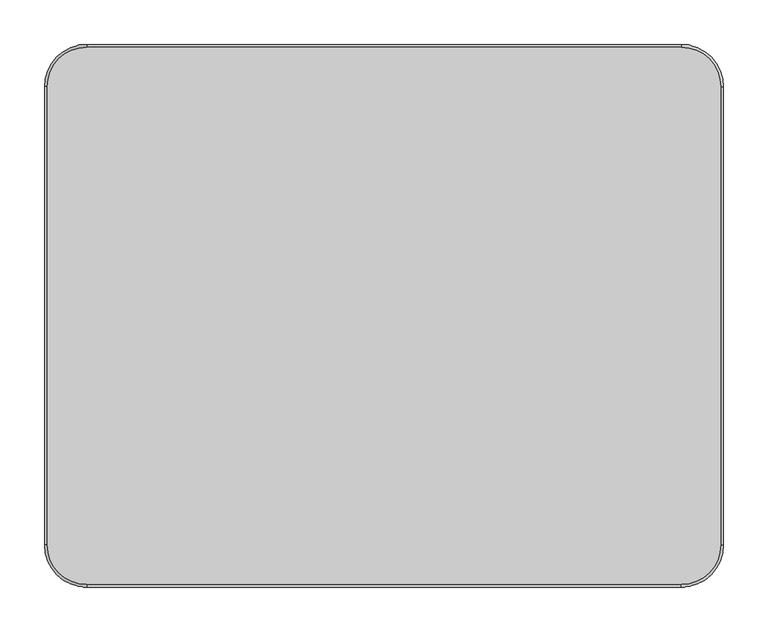
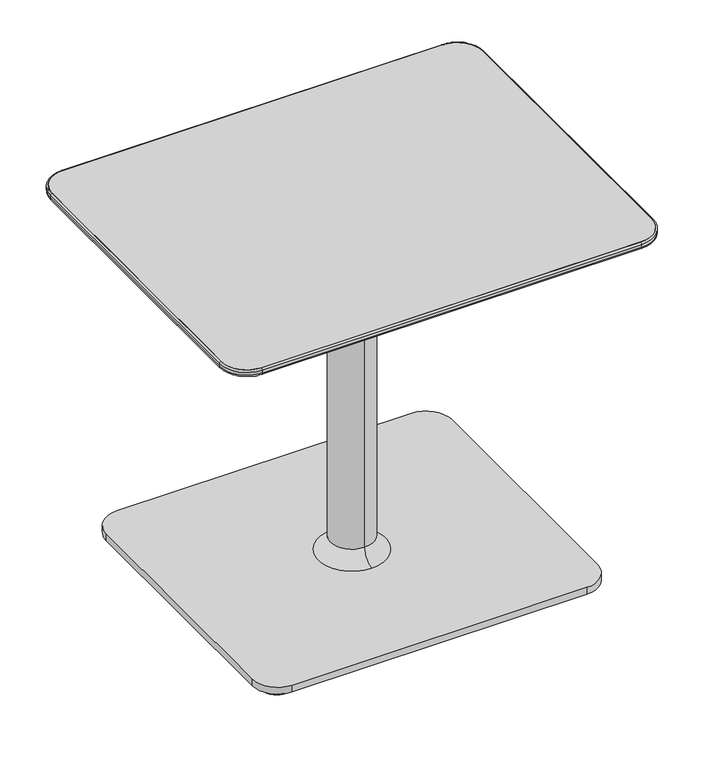
"""IFC4 building model written with IfcOpenShell, lengths in millimetres: furniture geometry."""

from ifc_helpers import new_model, si_unit, point, frame, frame_2d, origin, origin_with_axes, place, context, project, spatial, polyline, circle_curve, ellipse_curve, trimmed, segment, composite_curve, outline, extrude, source, transform, mapped, element, save
from ifc_brep_helpers import plane_surface, cylinder_surface, revolved_surface, spline_surface, advanced_brep


def furniture_ddb18872(model_context):
    return source(origin(), model_context, "Body", "SolidModel", [
        advanced_brep(
        [(378.2570059, -257.3038988, 648.3724172), (378.2570059, 257.3038988, 648.3724172), (333.8070059, 301.7538988, 648.3724172), (-333.1969941, 301.7538988, 648.3724172), (-377.6469941, 257.3038988, 648.3724172), (-377.6469941, -257.3038988, 648.3724172), (-333.1969941, -301.7538988, 648.3724172), (333.8070059, -301.7538988, 648.3724172), (310.4389826, -233.9365202, 630.3099277), (-309.8289709, -233.9365202, 630.3099277), (-309.8289709, 233.9365202, 630.3099277), (310.4389826, 233.9365202, 630.3099277)],
        [
            (0, 1),
            (1, 2, circle_curve(frame((333.8070059, 257.3038988, 648.3724172), z_axis=(0.0, 0.0, 1.0), x_axis=(1.0, 0.0, 0.0)), 44.45)),
            (2, 3),
            (3, 4, circle_curve(frame((-333.1969941, 257.3038988, 648.3724172), z_axis=(0.0, 0.0, 1.0), x_axis=(1.0, 0.0, 0.0)), 44.45)),
            (4, 5),
            (5, 6, circle_curve(frame((-333.1969941, -257.3038988, 648.3724172), z_axis=(0.0, 0.0, 1.0), x_axis=(1.0, 0.0, 0.0)), 44.45)),
            (6, 7),
            (7, 0, circle_curve(frame((333.8070059, -257.3038988, 648.3724172), z_axis=(0.0, 0.0, 1.0), x_axis=(1.0, 0.0, 0.0)), 44.45)),
            (8, 9),
            (9, 10),
            (10, 11),
            (11, 8),
            (7, 8),
            (8, 0),
            (6, 9),
            (5, 9),
            (4, 10),
            (3, 10),
            (2, 11),
            (1, 11),
        ],
        [
            plane_surface(frame((0.3050059, 0.0, 648.3724172), z_axis=(0.0, 0.0, 1.0), x_axis=(-1.0, 0.0, 0.0))),
            plane_surface(frame((0.3050059, 0.0, 630.3099277), z_axis=(0.0, 0.0, -1.0), x_axis=(-1.0, 0.0, 0.0))),
            spline_surface(1, 2, [[(310.4389826, -233.9365202, 630.3099277), (310.4389826, -233.9365202, 630.3099277), (310.4389826, -233.9365202, 630.3099277)], [(378.2570059, -257.3038988, 648.3724172), (378.2570059000001, -301.75389880000006, 648.3724172), (333.8070059, -301.7538988, 648.3724172)]], [2, 2], [3, 3], [0.0, 1.0], [0.0, 1.0], weights=[[1.0, 0.7071067811865471, 1.0], [1.0, 0.7071067811865471, 1.0]]),
            plane_surface(frame((0.3050059, -233.9365202, 630.3099277), z_axis=(0.0, -0.25736805130347623, -0.9663134513025529), x_axis=(-1.0, 0.0, 0.0))),
            spline_surface(1, 2, [[(-309.8289709, -233.9365202, 630.3099277), (-309.8289709, -233.9365202, 630.3099277), (-309.8289709, -233.9365202, 630.3099277)], [(-333.1969941, -301.7538988, 648.3724172), (-377.6469941, -301.7538988, 648.3724172), (-377.6469941, -257.3038988, 648.3724172)]], [2, 2], [3, 3], [0.0, 1.0], [0.0, 1.0], weights=[[1.0, 0.7071067811865476, 1.0], [1.0, 0.7071067811865476, 1.0]]),
            plane_surface(frame((-309.8289709, 0.0, 630.3099277), z_axis=(-0.2573657667501397, 0.0, -0.966314059767896), x_axis=(0.0, 1.0, 0.0))),
            spline_surface(1, 2, [[(-309.8289709, 233.9365202, 630.3099277), (-309.8289709, 233.9365202, 630.3099277), (-309.8289709, 233.9365202, 630.3099277)], [(-377.6469941, 257.3038988, 648.3724172), (-377.6469941, 301.7538988, 648.3724172), (-333.1969941, 301.7538988, 648.3724172)]], [2, 2], [3, 3], [0.0, 1.0], [0.0, 1.0], weights=[[1.0, 0.7071067811865476, 1.0], [1.0, 0.7071067811865476, 1.0]]),
            plane_surface(frame((0.3050059, 233.9365202, 630.3099277), z_axis=(0.0, 0.257368051303476, -0.966313451302553), x_axis=(1.0, 0.0, 0.0))),
            spline_surface(1, 2, [[(310.4389826, 233.9365202, 630.3099277), (310.4389826, 233.9365202, 630.3099277), (310.4389826, 233.9365202, 630.3099277)], [(333.8070059, 301.7538988, 648.3724172), (378.25700589999997, 301.75389879999994, 648.3724172), (378.2570059, 257.3038988, 648.3724172)]], [2, 2], [3, 3], [0.0, 1.0], [0.0, 1.0], weights=[[1.0, 0.707106781186548, 1.0], [1.0, 0.707106781186548, 1.0]]),
            plane_surface(frame((310.4389826, 0.0, 630.3099277), z_axis=(0.2573657667501397, 0.0, -0.966314059767896), x_axis=(0.0, -1.0, 0.0))),
        ],
        [
            (0, [[1, 2, 3, 4, 5, 6, 7, 8]]),
            (1, [[9, 10, 11, 12]]),
            (2, [[13, 14, -8]]),
            (3, [[-13, -7, 15, -9]]),
            (4, [[16, -15, -6]]),
            (5, [[-16, -5, 17, -10]]),
            (6, [[18, -17, -4]]),
            (7, [[-18, -3, 19, -11]]),
            (8, [[20, -19, -2]]),
            (9, [[-20, -1, -14, -12]]),
        ],
    ),
        extrude(outline(composite_curve([segment(polyline([(333.8070059, -301.7538988), (-333.1969941, -301.7538988)]), True, "CONTINUOUS"), segment(trimmed(circle_curve(frame_2d((-333.1969941, -257.3038988)), 44.45), [point((-333.1969941, -301.7538988))], [point((-377.6469941, -257.3038988))], False, "CARTESIAN"), True, "CONTINUOUS"), segment(polyline([(-377.6469941, -257.3038988), (-377.6469941, 257.3038988)]), True, "CONTINUOUS"), segment(trimmed(circle_curve(frame_2d((-333.1969941, 257.3038988)), 44.45), [point((-377.6469941, 257.3038988))], [point((-333.1969941, 301.7538988))], False, "CARTESIAN"), True, "CONTINUOUS"), segment(polyline([(-333.1969941, 301.7538988), (333.8070059, 301.7538988)]), True, "CONTINUOUS"), segment(trimmed(circle_curve(frame_2d((333.8070059, 257.3038988)), 44.45), [point((333.8070059, 301.7538988))], [point((378.2570059, 257.3038988))], False, "CARTESIAN"), True, "CONTINUOUS"), segment(polyline([(378.2570059, 257.3038988), (378.2570059, -257.3038988)]), True, "CONTINUOUS"), segment(trimmed(circle_curve(frame_2d((333.8070059, -257.3038988)), 44.45), [point((378.2570059, -257.3038988))], [point((333.8070059, -301.7538988))], False, "CARTESIAN"), True, "CONTINUOUS")], self_intersect=False)), frame((0.0, 0.0, 648.3724172), z_axis=(0.0, 0.0, 1.0), x_axis=(1.0, 0.0, 0.0)), (0.0, 0.0, 1.0), 12.0275828),
        extrude(outline(composite_curve([segment(trimmed(circle_curve(frame_2d((-263.0703146, -226.8029495)), 25.4), [point((-288.4703146, -226.8029495))], [point((-237.6703146, -226.8029495))], False, "CARTESIAN"), True, "CONTINUOUS"), segment(trimmed(circle_curve(frame_2d((-263.0703146, -226.8029495)), 25.4), [point((-237.6703146, -226.8029495))], [point((-288.4703146, -226.8029495))], False, "CARTESIAN"), True, "CONTINUOUS")], self_intersect=False)), origin_with_axes(), (0.0, 0.0, 1.0), 10.6571495),
        extrude(outline(composite_curve([segment(trimmed(circle_curve(frame_2d((263.6803263, -226.8029495)), 25.4), [point((238.2803263, -226.8029495))], [point((289.0803263, -226.8029495))], False, "CARTESIAN"), True, "CONTINUOUS"), segment(trimmed(circle_curve(frame_2d((263.6803263, -226.8029495)), 25.4), [point((289.0803263, -226.8029495))], [point((238.2803263, -226.8029495))], False, "CARTESIAN"), True, "CONTINUOUS")], self_intersect=False)), origin_with_axes(), (0.0, 0.0, 1.0), 10.6571495),
        extrude(outline(composite_curve([segment(trimmed(circle_curve(frame_2d((263.6803263, 226.8029495)), 25.4), [point((238.2803263, 226.8029495))], [point((289.0803263, 226.8029495))], False, "CARTESIAN"), True, "CONTINUOUS"), segment(trimmed(circle_curve(frame_2d((263.6803263, 226.8029495)), 25.4), [point((289.0803263, 226.8029495))], [point((238.2803263, 226.8029495))], False, "CARTESIAN"), True, "CONTINUOUS")], self_intersect=False)), origin_with_axes(), (0.0, 0.0, 1.0), 10.6571495),
        extrude(outline(composite_curve([segment(trimmed(circle_curve(frame_2d((-263.0703146, 226.8029495)), 25.4), [point((-288.4703146, 226.8029495))], [point((-237.6703146, 226.8029495))], False, "CARTESIAN"), True, "CONTINUOUS"), segment(trimmed(circle_curve(frame_2d((-263.0703146, 226.8029495)), 25.4), [point((-237.6703146, 226.8029495))], [point((-288.4703146, 226.8029495))], False, "CARTESIAN"), True, "CONTINUOUS")], self_intersect=False)), origin_with_axes(), (0.0, 0.0, 1.0), 10.6571495),
        extrude(outline(composite_curve([segment(polyline([(259.1310059, -266.6981833), (-258.5209941, -266.6981833)]), True, "CONTINUOUS"), segment(trimmed(circle_curve(frame_2d((-258.5209941, -222.2481833)), 44.45), [point((-258.5209941, -266.6981833))], [point((-302.9709941, -222.2481833))], False, "CARTESIAN"), True, "CONTINUOUS"), segment(polyline([(-302.9709941, -222.2481833), (-302.9709941, 222.2481833)]), True, "CONTINUOUS"), segment(trimmed(circle_curve(frame_2d((-258.5209941, 222.2481833)), 44.45), [point((-302.9709941, 222.2481833))], [point((-258.5209941, 266.6981833))], False, "CARTESIAN"), True, "CONTINUOUS"), segment(polyline([(-258.5209941, 266.6981833), (259.1310059, 266.6981833)]), True, "CONTINUOUS"), segment(trimmed(circle_curve(frame_2d((259.1310059, 222.2481833)), 44.45), [point((259.1310059, 266.6981833))], [point((303.5810059, 222.2481833))], False, "CARTESIAN"), True, "CONTINUOUS"), segment(polyline([(303.5810059, 222.2481833), (303.5810059, -222.2481833)]), True, "CONTINUOUS"), segment(trimmed(circle_curve(frame_2d((259.1310059, -222.2481833)), 44.45), [point((303.5810059, -222.2481833))], [point((259.1310059, -266.6981833))], False, "CARTESIAN"), True, "CONTINUOUS")], self_intersect=False)), frame((0.0, 0.0, 10.6571495), z_axis=(0.0, 0.0, 1.0), x_axis=(1.0, 0.0, 0.0)), (0.0, 0.0, 1.0), 12.7000004),
        advanced_brep(
        [(-380.6930954, -257.3038988, 652.1656816), (-377.6469941, -257.3038988, 648.3724172), (-333.1969941, -301.7538988, 648.3724172), (-333.1969941, -304.8, 652.1656816), (-380.6930954, -257.3038988, 657.3538988), (-333.1969941, -304.8, 657.3538988), (-377.6469941, -257.3038988, 660.4), (-333.1969941, -301.7538988, 660.4), (-380.6930954, 257.3038988, 652.1656816), (-377.6469941, 257.3038988, 648.3724172), (-380.6930954, 257.3038988, 657.3538988), (-377.6469941, 257.3038988, 660.4), (-333.1969941, 304.8, 652.1656816), (-333.1969941, 301.7538988, 648.3724172), (-333.1969941, 304.8, 657.3538988), (-333.1969941, 301.7538988, 660.4), (333.8070059, 304.8, 652.1656816), (333.8070059, 301.7538988, 648.3724172), (333.8070059, 304.8, 657.3538988), (333.8070059, 301.7538988, 660.4), (381.3031071, 257.3038988, 652.1656816), (378.2570059, 257.3038988, 648.3724172), (381.3031071, 257.3038988, 657.3538988), (378.2570059, 257.3038988, 660.4), (381.3031071, -257.3038988, 652.1656816), (378.2570059, -257.3038988, 648.3724172), (381.3031071, -257.3038988, 657.3538988), (378.2570059, -257.3038988, 660.4), (333.8070059, -304.8, 652.1656816), (333.8070059, -301.7538988, 648.3724172), (333.8070059, -304.8, 657.3538988), (333.8070059, -301.7538988, 660.4)],
        [
            (0, 1, circle_curve(frame((-376.8081971, -257.3038988, 652.1656816), z_axis=(0.0, -1.0, 0.0), x_axis=(1.0, 0.0, 0.0)), 3.8848983)),
            (1, 2, circle_curve(frame((-333.1969941, -257.3038988, 648.3724172), z_axis=(0.0, 0.0, 1.0), x_axis=(0.0, -1.0, 0.0)), 44.45)),
            (2, 3, circle_curve(frame((-333.1969941, -300.9151017, 652.1656816), z_axis=(-1.0, 0.0, 0.0), x_axis=(0.0, 1.0, 0.0)), 3.8848983)),
            (3, 0, circle_curve(frame((-333.1969941, -257.3038988, 652.1656816), z_axis=(0.0, 0.0, -1.0), x_axis=(0.0, -1.0, 0.0)), 47.4961012)),
            (4, 0),
            (3, 5),
            (5, 4, circle_curve(frame((-333.1969941, -257.3038988, 657.3538988), z_axis=(0.0, 0.0, -1.0), x_axis=(0.0, -1.0, 0.0)), 47.4961012)),
            (6, 4, circle_curve(frame((-377.6469941, -257.3038988, 657.3538988), z_axis=(0.0, -1.0, 0.0), x_axis=(1.0, 0.0, 0.0)), 3.0461012)),
            (5, 7, circle_curve(frame((-333.1969941, -301.7538988, 657.3538988), z_axis=(-1.0, 0.0, 0.0), x_axis=(0.0, 1.0, 0.0)), 3.0461012)),
            (7, 6, circle_curve(frame((-333.1969941, -257.3038988, 660.4), z_axis=(0.0, 0.0, -1.0), x_axis=(0.0, -1.0, 0.0)), 44.45)),
            (1, 6),
            (7, 2),
            (0, 8),
            (8, 9, circle_curve(frame((-376.8081971, 257.3038988, 652.1656816), z_axis=(0.0, -1.0, 0.0), x_axis=(1.0, 0.0, 0.0)), 3.8848983)),
            (9, 1),
            (4, 10),
            (10, 8),
            (6, 11),
            (11, 10, circle_curve(frame((-377.6469941, 257.3038988, 657.3538988), z_axis=(0.0, -1.0, 0.0), x_axis=(1.0, 0.0, 0.0)), 3.0461012)),
            (9, 11),
            (12, 13, circle_curve(frame((-333.1969941, 300.9151017, 652.1656816), z_axis=(-1.0, 0.0, 0.0), x_axis=(0.0, -1.0, 0.0)), 3.8848983)),
            (13, 9, circle_curve(frame((-333.1969941, 257.3038988, 648.3724172), z_axis=(0.0, 0.0, 1.0), x_axis=(-1.0, 0.0, 0.0)), 44.45)),
            (8, 12, circle_curve(frame((-333.1969941, 257.3038988, 652.1656816), z_axis=(0.0, 0.0, -1.0), x_axis=(-1.0, 0.0, 0.0)), 47.4961012)),
            (14, 12),
            (10, 14, circle_curve(frame((-333.1969941, 257.3038988, 657.3538988), z_axis=(0.0, 0.0, -1.0), x_axis=(-1.0, 0.0, 0.0)), 47.4961012)),
            (15, 14, circle_curve(frame((-333.1969941, 301.7538988, 657.3538988), z_axis=(-1.0, 0.0, 0.0), x_axis=(0.0, -1.0, 0.0)), 3.0461012)),
            (11, 15, circle_curve(frame((-333.1969941, 257.3038988, 660.4), z_axis=(0.0, 0.0, -1.0), x_axis=(-1.0, 0.0, 0.0)), 44.45)),
            (13, 15),
            (12, 16),
            (16, 17, circle_curve(frame((333.8070059, 300.9151017, 652.1656816), z_axis=(-1.0, 0.0, 0.0), x_axis=(0.0, -1.0, 0.0)), 3.8848983)),
            (17, 13),
            (14, 18),
            (18, 16),
            (15, 19),
            (19, 18, circle_curve(frame((333.8070059, 301.7538988, 657.3538988), z_axis=(-1.0, 0.0, 0.0), x_axis=(0.0, -1.0, 0.0)), 3.0461012)),
            (17, 19),
            (20, 21, circle_curve(frame((377.4182088, 257.3038988, 652.1656816), z_axis=(0.0, 1.0, 0.0), x_axis=(-1.0, 0.0, 0.0)), 3.8848983)),
            (21, 17, circle_curve(frame((333.8070059, 257.3038988, 648.3724172), z_axis=(0.0, 0.0, 1.0), x_axis=(0.0, 1.0, 0.0)), 44.45)),
            (16, 20, circle_curve(frame((333.8070059, 257.3038988, 652.1656816), z_axis=(0.0, 0.0, -1.0), x_axis=(0.0, 1.0, 0.0)), 47.4961012)),
            (22, 20),
            (18, 22, circle_curve(frame((333.8070059, 257.3038988, 657.3538988), z_axis=(0.0, 0.0, -1.0), x_axis=(0.0, 1.0, 0.0)), 47.4961012)),
            (23, 22, circle_curve(frame((378.2570059, 257.3038988, 657.3538988), z_axis=(0.0, 1.0, 0.0), x_axis=(-1.0, 0.0, 0.0)), 3.0461012)),
            (19, 23, circle_curve(frame((333.8070059, 257.3038988, 660.4), z_axis=(0.0, 0.0, -1.0), x_axis=(0.0, 1.0, 0.0)), 44.45)),
            (21, 23),
            (20, 24),
            (24, 25, circle_curve(frame((377.4182088, -257.3038988, 652.1656816), z_axis=(0.0, 1.0, 0.0), x_axis=(-1.0, 0.0, 0.0)), 3.8848983)),
            (25, 21),
            (22, 26),
            (26, 24),
            (23, 27),
            (27, 26, circle_curve(frame((378.2570059, -257.3038988, 657.3538988), z_axis=(0.0, 1.0, 0.0), x_axis=(-1.0, 0.0, 0.0)), 3.0461012)),
            (25, 27),
            (28, 29, circle_curve(frame((333.8070059, -300.9151017, 652.1656816), z_axis=(1.0, 0.0, 0.0), x_axis=(0.0, 1.0, 0.0)), 3.8848983)),
            (29, 25, circle_curve(frame((333.8070059, -257.3038988, 648.3724172), z_axis=(0.0, 0.0, 1.0), x_axis=(1.0, 0.0, 0.0)), 44.45)),
            (24, 28, circle_curve(frame((333.8070059, -257.3038988, 652.1656816), z_axis=(0.0, 0.0, -1.0), x_axis=(1.0, 0.0, 0.0)), 47.4961012)),
            (30, 28),
            (26, 30, circle_curve(frame((333.8070059, -257.3038988, 657.3538988), z_axis=(0.0, 0.0, -1.0), x_axis=(1.0, 0.0, 0.0)), 47.4961012)),
            (31, 30, circle_curve(frame((333.8070059, -301.7538988, 657.3538988), z_axis=(1.0, 0.0, 0.0), x_axis=(0.0, 1.0, 0.0)), 3.0461012)),
            (27, 31, circle_curve(frame((333.8070059, -257.3038988, 660.4), z_axis=(0.0, 0.0, -1.0), x_axis=(1.0, 0.0, 0.0)), 44.45)),
            (29, 31),
            (28, 3),
            (2, 29),
            (30, 5),
            (31, 7),
        ],
        [
            revolved_surface(trimmed(ellipse_curve(frame((-333.1969941, -300.9151017, 652.1656816), z_axis=(-1.0, 0.0, 0.0), x_axis=(0.0, 1.0, 0.0)), 3.8848983, 3.8848983), [point((-333.1969941, -301.7538988, 648.3724172))], [point((-333.1969941, -304.8, 652.1656816))], True, "CARTESIAN"), (-333.1969941, -257.3038988, 0.0), (0.0, 0.0, 1.0)),
            cylinder_surface(frame((-333.1969941, -257.3038988, 0.0), z_axis=(0.0, 0.0, 1.0), x_axis=(0.0, -1.0, 0.0)), 47.4961012),
            revolved_surface(trimmed(ellipse_curve(frame((-333.1969941, -301.7538988, 657.3538988), z_axis=(-1.0, 0.0, 0.0), x_axis=(0.0, 1.0, 0.0)), 3.0461012, 3.0461012), [point((-333.1969941, -304.8, 657.3538988))], [point((-333.1969941, -301.7538988, 660.4))], True, "CARTESIAN"), (-333.1969941, -257.3038988, 0.0), (0.0, 0.0, 1.0)),
            revolved_surface(polyline([(-333.1969941, -301.7538988, 660.4), (-333.1969941, -301.7538988, 648.3724172)]), (-333.1969941, -257.3038988, 0.0), (0.0, 0.0, 1.0)),
            cylinder_surface(frame((-376.8081971, -257.3038988, 652.1656816), z_axis=(0.0, -1.0, 0.0), x_axis=(1.0, 0.0, 0.0)), 3.8848983),
            plane_surface(frame((-380.6930954, -257.3038988, 652.1656816), z_axis=(-1.0, 0.0, 0.0), x_axis=(0.0, 1.0, 0.0))),
            cylinder_surface(frame((-377.6469941, -257.3038988, 657.3538988), z_axis=(0.0, -1.0, 0.0), x_axis=(1.0, 0.0, 0.0)), 3.0461012),
            plane_surface(frame((-377.6469941, -257.3038988, 660.4), z_axis=(1.0, 0.0, 0.0), x_axis=(0.0, 1.0, 0.0))),
            revolved_surface(trimmed(ellipse_curve(frame((-376.8081971, 257.3038988, 652.1656816), z_axis=(0.0, 1.0, 0.0), x_axis=(1.0, 0.0, 0.0)), 3.8848983, 3.8848983), [point((-377.6469941, 257.3038988, 648.3724172))], [point((-380.6930954, 257.3038988, 652.1656816))], True, "CARTESIAN"), (-333.1969941, 257.3038988, 0.0), (0.0, 0.0, 1.0)),
            cylinder_surface(frame((-333.1969941, 257.3038988, 0.0), z_axis=(0.0, 0.0, 1.0), x_axis=(-1.0, 0.0, 0.0)), 47.4961012),
            revolved_surface(trimmed(ellipse_curve(frame((-377.6469941, 257.3038988, 657.3538988), z_axis=(0.0, 1.0, 0.0), x_axis=(1.0, 0.0, 0.0)), 3.0461012, 3.0461012), [point((-380.6930954, 257.3038988, 657.3538988))], [point((-377.6469941, 257.3038988, 660.4))], True, "CARTESIAN"), (-333.1969941, 257.3038988, 0.0), (0.0, 0.0, 1.0)),
            revolved_surface(polyline([(-377.6469941, 257.3038988, 660.4), (-377.6469941, 257.3038988, 648.3724172)]), (-333.1969941, 257.3038988, 0.0), (0.0, 0.0, 1.0)),
            cylinder_surface(frame((-333.1969941, 300.9151017, 652.1656816), z_axis=(-1.0, 0.0, 0.0), x_axis=(0.0, -1.0, 0.0)), 3.8848983),
            plane_surface(frame((-333.1969941, 304.8, 652.1656816), z_axis=(0.0, 1.0, 0.0), x_axis=(1.0, 0.0, 0.0))),
            cylinder_surface(frame((-333.1969941, 301.7538988, 657.3538988), z_axis=(-1.0, 0.0, 0.0), x_axis=(0.0, -1.0, 0.0)), 3.0461012),
            plane_surface(frame((-333.1969941, 301.7538988, 660.4), z_axis=(0.0, -1.0, 0.0), x_axis=(1.0, 0.0, 0.0))),
            revolved_surface(trimmed(ellipse_curve(frame((333.8070059, 300.9151017, 652.1656816), z_axis=(1.0, 0.0, 0.0), x_axis=(0.0, -1.0, 0.0)), 3.8848983, 3.8848983), [point((333.8070059, 301.7538988, 648.3724172))], [point((333.8070059, 304.8, 652.1656816))], True, "CARTESIAN"), (333.8070059, 257.3038988, 0.0), (0.0, 0.0, 1.0)),
            cylinder_surface(frame((333.8070059, 257.3038988, 0.0), z_axis=(0.0, 0.0, 1.0), x_axis=(0.0, 1.0, 0.0)), 47.4961012),
            revolved_surface(trimmed(ellipse_curve(frame((333.8070059, 301.7538988, 657.3538988), z_axis=(1.0, 0.0, 0.0), x_axis=(0.0, -1.0, 0.0)), 3.0461012, 3.0461012), [point((333.8070059, 304.8, 657.3538988))], [point((333.8070059, 301.7538988, 660.4))], True, "CARTESIAN"), (333.8070059, 257.3038988, 0.0), (0.0, 0.0, 1.0)),
            revolved_surface(polyline([(333.8070059, 301.7538988, 660.4), (333.8070059, 301.7538988, 648.3724172)]), (333.8070059, 257.3038988, 0.0), (0.0, 0.0, 1.0)),
            cylinder_surface(frame((377.4182088, 257.3038988, 652.1656816), z_axis=(0.0, 1.0, 0.0), x_axis=(-1.0, 0.0, 0.0)), 3.8848983),
            plane_surface(frame((381.3031071, 257.3038988, 652.1656816), z_axis=(1.0, 0.0, 0.0), x_axis=(0.0, -1.0, 0.0))),
            cylinder_surface(frame((378.2570059, 257.3038988, 657.3538988), z_axis=(0.0, 1.0, 0.0), x_axis=(-1.0, 0.0, 0.0)), 3.0461012),
            plane_surface(frame((378.2570059, 257.3038988, 660.4), z_axis=(-1.0, 0.0, 0.0), x_axis=(0.0, -1.0, 0.0))),
            revolved_surface(trimmed(ellipse_curve(frame((377.4182088, -257.3038988, 652.1656816), z_axis=(0.0, -1.0, 0.0), x_axis=(-1.0, 0.0, 0.0)), 3.8848983, 3.8848983), [point((378.2570059, -257.3038988, 648.3724172))], [point((381.3031071, -257.3038988, 652.1656816))], True, "CARTESIAN"), (333.8070059, -257.3038988, 0.0), (0.0, 0.0, 1.0)),
            cylinder_surface(frame((333.8070059, -257.3038988, 0.0), z_axis=(0.0, 0.0, 1.0), x_axis=(1.0, 0.0, 0.0)), 47.4961012),
            revolved_surface(trimmed(ellipse_curve(frame((378.2570059, -257.3038988, 657.3538988), z_axis=(0.0, -1.0, 0.0), x_axis=(-1.0, 0.0, 0.0)), 3.0461012, 3.0461012), [point((381.3031071, -257.3038988, 657.3538988))], [point((378.2570059, -257.3038988, 660.4))], True, "CARTESIAN"), (333.8070059, -257.3038988, 0.0), (0.0, 0.0, 1.0)),
            revolved_surface(polyline([(378.25700589999997, -257.3038988, 660.4), (378.25700589999997, -257.3038988, 648.3724172)]), (333.8070059, -257.3038988, 0.0), (0.0, 0.0, 1.0)),
            cylinder_surface(frame((333.8070059, -300.9151017, 652.1656816), z_axis=(1.0, 0.0, 0.0), x_axis=(0.0, 1.0, 0.0)), 3.8848983),
            plane_surface(frame((333.8070059, -304.8, 652.1656816), z_axis=(0.0, -1.0, 0.0), x_axis=(-1.0, 0.0, 0.0))),
            cylinder_surface(frame((333.8070059, -301.7538988, 657.3538988), z_axis=(1.0, 0.0, 0.0), x_axis=(0.0, 1.0, 0.0)), 3.0461012),
            plane_surface(frame((333.8070059, -301.7538988, 660.4), z_axis=(0.0, 1.0, 0.0), x_axis=(-1.0, 0.0, 0.0))),
        ],
        [
            (0, [[1, 2, 3, 4]]),
            (1, [[5, -4, 6, 7]]),
            (2, [[8, -7, 9, 10]]),
            (3, [[11, -10, 12, -2]]),
            (4, [[13, 14, 15, -1]]),
            (5, [[16, 17, -13, -5]]),
            (6, [[18, 19, -16, -8]]),
            (7, [[-15, 20, -18, -11]]),
            (8, [[21, 22, -14, 23]]),
            (9, [[24, -23, -17, 25]]),
            (10, [[26, -25, -19, 27]]),
            (11, [[28, -27, -20, -22]]),
            (12, [[29, 30, 31, -21]]),
            (13, [[32, 33, -29, -24]]),
            (14, [[34, 35, -32, -26]]),
            (15, [[-31, 36, -34, -28]]),
            (16, [[37, 38, -30, 39]]),
            (17, [[40, -39, -33, 41]]),
            (18, [[42, -41, -35, 43]]),
            (19, [[44, -43, -36, -38]]),
            (20, [[45, 46, 47, -37]]),
            (21, [[48, 49, -45, -40]]),
            (22, [[50, 51, -48, -42]]),
            (23, [[-47, 52, -50, -44]]),
            (24, [[53, 54, -46, 55]]),
            (25, [[56, -55, -49, 57]]),
            (26, [[58, -57, -51, 59]]),
            (27, [[60, -59, -52, -54]]),
            (28, [[61, -3, 62, -53]]),
            (29, [[63, -6, -61, -56]]),
            (30, [[64, -9, -63, -58]]),
            (31, [[-62, -12, -64, -60]]),
        ],
    ),
        advanced_brep(
        [(0.3050059, 37.9287895, 500.8567695), (0.3050059, 37.9287895, 50.0429711), (0.3050059, -37.9287895, 50.0429711), (0.3050059, -37.9287895, 500.8567695), (0.3050059, 59.3395816, 538.8698908), (0.3050059, -59.3395816, 538.8698908), (0.3050059, 197.9068019, 622.8534968), (0.3050059, -197.9068019, 622.8534968), (0.3050059, 212.4265152, 626.9101307), (0.3050059, -212.4265152, 626.9101307), (0.3050059, 226.4292749, 626.9101307), (0.3050059, -226.4292749, 626.9101307), (0.3050059, 228.4774392, 630.3099277), (0.3050059, -228.4774392, 630.3099277), (0.3050059, 0.0, 630.3099277), (0.3050059, 60.2304855, 23.3571499), (0.3050059, 0.0, 23.3571499), (0.3050059, -60.2304855, 23.3571499)],
        [
            (0, 1),
            (1, 2, circle_curve(frame((0.3050059, 0.0, 50.0429711), z_axis=(0.0, 0.0, 1.0), x_axis=(0.0, -1.0, 0.0)), 37.9287895)),
            (2, 3),
            (3, 0, circle_curve(frame((0.3050059, 0.0, 500.8567695), z_axis=(0.0, 0.0, -1.0), x_axis=(0.0, -1.0, 0.0)), 37.9287895)),
            (2, 1, circle_curve(frame((0.3050059, 0.0, 50.0429711), z_axis=(0.0, 0.0, 1.0), x_axis=(0.0, -1.0, 0.0)), 37.9287895)),
            (0, 3, circle_curve(frame((0.3050059, 0.0, 500.8567695), z_axis=(0.0, 0.0, -1.0), x_axis=(0.0, -1.0, 0.0)), 37.9287895)),
            (4, 0, circle_curve(frame((0.3050059, 82.3787895, 500.8567695), z_axis=(1.0, 0.0, 0.0), x_axis=(0.0, 1.0, 0.0)), 44.45)),
            (3, 5, circle_curve(frame((0.3050059, -82.3787895, 500.8567695), z_axis=(1.0, 0.0, 0.0), x_axis=(0.0, -1.0, 0.0)), 44.45)),
            (5, 4, circle_curve(frame((0.3050059, 0.0, 538.8698908), z_axis=(0.0, 0.0, -1.0), x_axis=(0.0, -1.0, 0.0)), 59.3395816)),
            (4, 5, circle_curve(frame((0.3050059, 0.0, 538.8698908), z_axis=(0.0, 0.0, -1.0), x_axis=(0.0, -1.0, 0.0)), 59.3395816)),
            (6, 4),
            (5, 7),
            (7, 6, circle_curve(frame((0.3050059, 0.0, 622.8534968), z_axis=(0.0, 0.0, -1.0), x_axis=(0.0, -1.0, 0.0)), 197.9068019)),
            (6, 7, circle_curve(frame((0.3050059, 0.0, 622.8534968), z_axis=(0.0, 0.0, -1.0), x_axis=(0.0, -1.0, 0.0)), 197.9068019)),
            (8, 6, circle_curve(frame((0.3050059, 212.4265152, 598.8969605), z_axis=(1.0, 0.0, 0.0), x_axis=(0.0, 1.0, 0.0)), 28.0131702)),
            (7, 9, circle_curve(frame((0.3050059, -212.4265152, 598.8969605), z_axis=(1.0, 0.0, 0.0), x_axis=(0.0, -1.0, 0.0)), 28.0131702)),
            (9, 8, circle_curve(frame((0.3050059, 0.0, 626.9101307), z_axis=(0.0, 0.0, -1.0), x_axis=(0.0, -1.0, 0.0)), 212.4265152)),
            (8, 9, circle_curve(frame((0.3050059, 0.0, 626.9101307), z_axis=(0.0, 0.0, -1.0), x_axis=(0.0, -1.0, 0.0)), 212.4265152)),
            (10, 8),
            (9, 11),
            (11, 10, circle_curve(frame((0.3050059, 0.0, 626.9101307), z_axis=(0.0, 0.0, -1.0), x_axis=(0.0, -1.0, 0.0)), 226.4292749)),
            (10, 11, circle_curve(frame((0.3050059, 0.0, 626.9101307), z_axis=(0.0, 0.0, -1.0), x_axis=(0.0, -1.0, 0.0)), 226.4292749)),
            (12, 10, circle_curve(frame((0.3050059, 226.4292749, 629.2269744), z_axis=(-1.0, 0.0, 0.0), x_axis=(0.0, 1.0, 0.0)), 2.3168437)),
            (11, 13, circle_curve(frame((0.3050059, -226.4292749, 629.2269744), z_axis=(-1.0, 0.0, 0.0), x_axis=(0.0, -1.0, 0.0)), 2.3168437)),
            (13, 12, circle_curve(frame((0.3050059, 0.0, 630.3099277), z_axis=(0.0, 0.0, -1.0), x_axis=(0.0, -1.0, 0.0)), 228.4774392)),
            (12, 13, circle_curve(frame((0.3050059, 0.0, 630.3099277), z_axis=(0.0, 0.0, -1.0), x_axis=(0.0, -1.0, 0.0)), 228.4774392)),
            (14, 12),
            (13, 14),
            (15, 16),
            (16, 17),
            (17, 15, circle_curve(frame((0.3050059, 0.0, 23.3571499), z_axis=(0.0, 0.0, -1.0), x_axis=(0.0, -1.0, 0.0)), 60.2304855)),
            (15, 17, circle_curve(frame((0.3050059, 0.0, 23.3571499), z_axis=(0.0, 0.0, -1.0), x_axis=(0.0, -1.0, 0.0)), 60.2304855)),
            (1, 15, circle_curve(frame((0.3050059, 65.045532, 50.0429711), z_axis=(1.0, 0.0, 0.0), x_axis=(0.0, 1.0, 0.0)), 27.1167425)),
            (17, 2, circle_curve(frame((0.3050059, -65.045532, 50.0429711), z_axis=(1.0, 0.0, 0.0), x_axis=(0.0, -1.0, 0.0)), 27.1167425)),
        ],
        [
            cylinder_surface(frame((0.3050059, 0.0, 738.2745102), z_axis=(0.0, 0.0, 1.0), x_axis=(0.0, -1.0, 0.0)), 37.9287895),
            revolved_surface(trimmed(ellipse_curve(frame((0.3050059, -82.3787895, 500.8567695), z_axis=(1.0, 0.0, 0.0), x_axis=(0.0, -1.0, 0.0)), 44.45, 44.45), [point((0.3050059, -37.9287895, 500.8567695))], [point((0.3050059, -59.3395816, 538.8698908))], True, "CARTESIAN"), (0.3050059, 0.0, 738.2745102), (0.0, 0.0, 1.0)),
            revolved_surface(polyline([(0.3050059, -59.3395816, 538.8698908), (0.3050059, -197.9068019, 622.8534968)]), (0.3050059, 0.0, 738.2745102), (0.0, 0.0, 1.0)),
            revolved_surface(trimmed(ellipse_curve(frame((0.3050059, -212.4265152, 598.8969605), z_axis=(1.0, 0.0, 0.0), x_axis=(0.0, -1.0, 0.0)), 28.0131702, 28.0131702), [point((0.3050059, -197.9068019, 622.8534968))], [point((0.3050059, -212.4265152, 626.9101307))], True, "CARTESIAN"), (0.3050059, 0.0, 738.2745102), (0.0, 0.0, 1.0)),
            plane_surface(frame((0.3050059, 0.0, 626.9101307), z_axis=(0.0, 0.0, -1.0), x_axis=(0.0, -1.0, 0.0))),
            revolved_surface(trimmed(ellipse_curve(frame((0.3050059, -226.4292749, 629.2269744), z_axis=(-1.0, 0.0, 0.0), x_axis=(0.0, -1.0, 0.0)), 2.3168437, 2.3168437), [point((0.3050059, -226.4292749, 626.9101307))], [point((0.3050059, -228.4774392, 630.3099277))], True, "CARTESIAN"), (0.3050059, 0.0, 738.2745102), (0.0, 0.0, 1.0)),
            plane_surface(frame((0.3050059, 0.0, 630.3099277), z_axis=(0.0, 0.0, 1.0), x_axis=(0.0, -1.0, 0.0))),
            plane_surface(frame((0.3050059, 0.0, 23.3571499), z_axis=(0.0, 0.0, -1.0), x_axis=(0.0, -1.0, 0.0))),
            revolved_surface(trimmed(ellipse_curve(frame((0.3050059, -65.045532, 50.0429711), z_axis=(1.0, 0.0, 0.0), x_axis=(0.0, -1.0, 0.0)), 27.1167425, 27.1167425), [point((0.3050059, -60.2304855, 23.3571499))], [point((0.3050059, -37.9287895, 50.0429711))], True, "CARTESIAN"), (0.3050059, 0.0, 738.2745102), (0.0, 0.0, 1.0)),
        ],
        [
            (0, [[1, 2, 3, 4]]),
            (0, [[-3, 5, -1, 6]]),
            (1, [[7, -4, 8, 9]]),
            (1, [[-8, -6, -7, 10]]),
            (2, [[11, -9, 12, 13]]),
            (2, [[-12, -10, -11, 14]]),
            (3, [[15, -13, 16, 17]]),
            (3, [[-16, -14, -15, 18]]),
            (4, [[19, -17, 20, 21]]),
            (4, [[-20, -18, -19, 22]]),
            (5, [[23, -21, 24, 25]]),
            (5, [[-24, -22, -23, 26]]),
            (6, [[27, -25, 28]]),
            (6, [[-28, -26, -27]]),
            (7, [[29, 30, 31]]),
            (7, [[-30, -29, 32]]),
            (8, [[33, -31, 34, -2]]),
            (8, [[-34, -32, -33, -5]]),
        ],
    ),
    ])


if __name__ == "__main__":
    model = new_model("IFC4")
    model_context = context("Model", 3, world=origin())
    ifc_project = project(units=[si_unit("LENGTHUNIT", "METRE", prefix="MILLI")], contexts=[model_context])
    site = spatial("IfcSite", under=ifc_project)
    building = spatial("IfcBuilding", under=site)
    placement = place(None, origin())
    furniture_shape = furniture_ddb18872(model_context)
    element("IfcFurniture", 1, at=placement, inside=building, context=model_context, shape_type="MappedRepresentation", body=[
        mapped(furniture_shape, transform((0.0, 0.0, 0.0), x_axis=(1.0, 0.0, 0.0), y_axis=(0.0, 1.0, 0.0), z_axis=(0.0, 0.0, 1.0))),
    ])
    save(model, "model.ifc")
